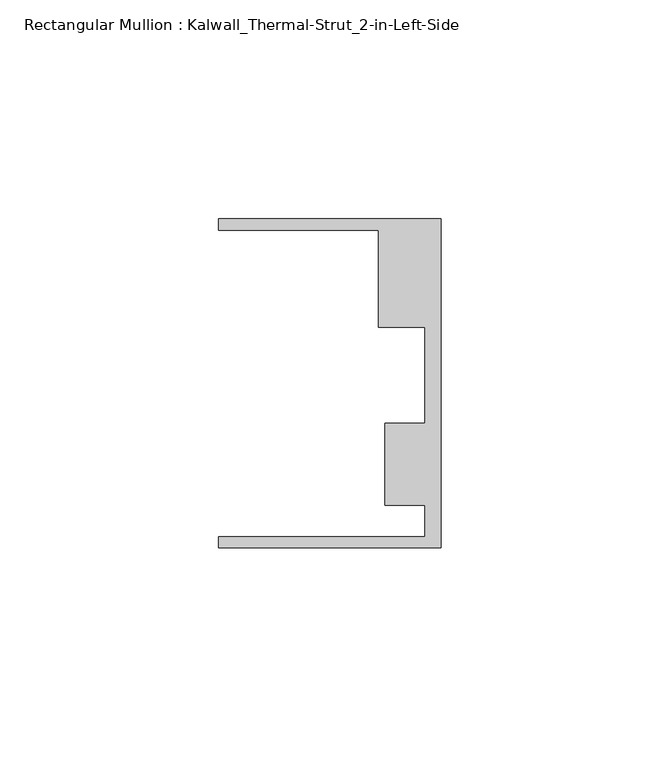
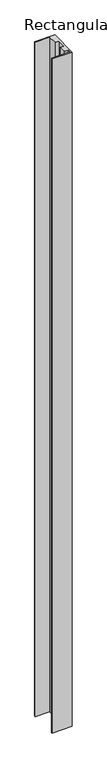
"""IFC4 building model written with IfcOpenShell, lengths in millimetres: member geometry, Rectangular Mullion : Kalwall_Thermal-Strut_2-in-Left-Side."""

from ifc_helpers import new_model, si_unit, frame, origin, place, context, project, spatial, polyline, outline, extrude, source, transform, mapped, element, save


def rectangular_mullion_kalwall_thermal_strut_2_in_left_side_1bf472a2(model_context):
    return source(origin(), model_context, "Body", "SweptSolid", [
        extrude(outline(polyline([(0.0, -37.5776386), (-50.8, -37.5776386), (-50.8, -35.0376386), (-3.7084, -35.0376386), (-3.7084, -27.8888568), (-12.8272539, -27.8888568), (-12.8272539, -9.1879886), (-3.7084, -9.1879886), (-3.7084, 12.7373614), (-14.2875, 12.7373614), (-14.2875, 34.9623614), (-50.8, 34.9623614), (-50.8, 37.5023614), (0.0, 37.5023614), (0.0, -37.5776386)])), frame((0.0, 0.0, -1795.25), z_axis=(0.0, 0.0, 1.0), x_axis=(1.0, 0.0, 0.0)), (0.0, 0.0, 1.0), 1795.25),
    ])


if __name__ == "__main__":
    model = new_model("IFC4")
    model_context = context("Model", 3, world=origin())
    ifc_project = project(units=[si_unit("LENGTHUNIT", "METRE", prefix="MILLI")], contexts=[model_context])
    site = spatial("IfcSite", under=ifc_project)
    building = spatial("IfcBuilding", under=site)
    placement = place(None, origin())
    rectangular_mullion_kalwall_thermal_strut_2_in_left_side_shape = rectangular_mullion_kalwall_thermal_strut_2_in_left_side_1bf472a2(model_context)
    element("IfcMember", 1, ObjectType="Rectangular Mullion : Kalwall_Thermal-Strut_2-in-Left-Side", at=placement, inside=building, context=model_context, shape_type="MappedRepresentation", body=[
        mapped(rectangular_mullion_kalwall_thermal_strut_2_in_left_side_shape, transform((0.0, 0.0, 0.0), x_axis=(1.0, 0.0, 0.0), y_axis=(0.0, 1.0, 0.0), z_axis=(0.0, 0.0, 1.0))),
    ])
    save(model, "model.ifc")
